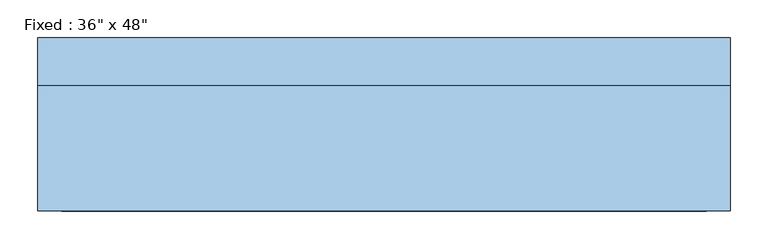
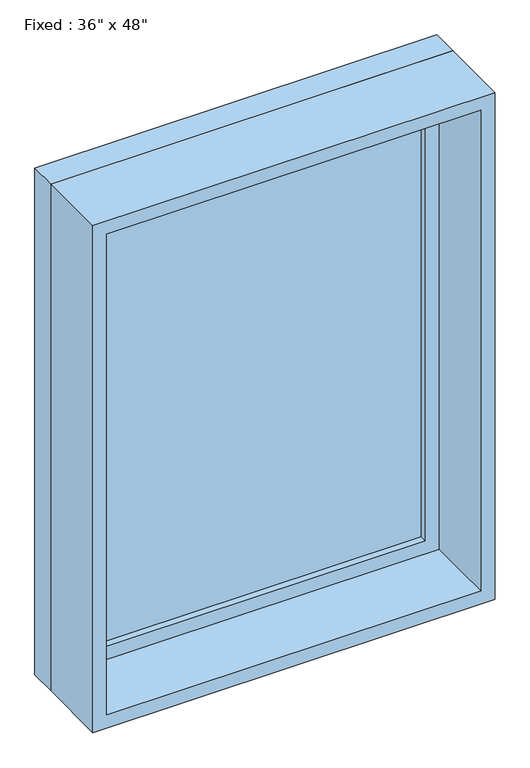
"""IFC4 building model written with IfcOpenShell, lengths in millimetres: window geometry."""

from ifc_helpers import new_model, si_unit, frame, origin, place, context, project, spatial, polyline, outline, extrude, source, transform, mapped, element, save


def window_c1f32544(model_context):
    return source(origin(), model_context, "Body", "SweptSolid", [
        extrude(outline(polyline([(355.6, 66.675), (-431.8, 66.675), (-431.8, 79.375), (355.6, 79.375), (355.6, 66.675)])), frame((0.0, 0.0, 977.9), z_axis=(0.0, 0.0, 1.0), x_axis=(1.0, 0.0, 0.0)), (0.0, 0.0, 1.0), 1092.2),
        extrude(outline(polyline([(2114.55, -476.25), (933.45, -476.25), (933.45, 400.05), (2114.55, 400.05), (2114.55, -476.25)]), holes=[polyline([(2070.1, -431.8), (2070.1, 355.6), (977.9, 355.6), (977.9, -431.8), (2070.1, -431.8)])]), frame((0.0, 50.8, 0.0), z_axis=(0.0, 1.0, 0.0), x_axis=(0.0, 0.0, 1.0)), (0.0, 0.0, 1.0), 44.45),
        extrude(outline(polyline([(2133.6, -495.3), (914.4, -495.3), (914.4, 419.1), (2133.6, 419.1), (2133.6, -495.3)]), holes=[polyline([(2101.85, -463.55), (2101.85, 387.35), (946.15, 387.35), (946.15, -463.55), (2101.85, -463.55)])]), frame((0.0, -114.3, 0.0), z_axis=(0.0, 1.0, 0.0), x_axis=(0.0, 0.0, 1.0)), (0.0, 0.0, 1.0), 165.1),
        extrude(outline(polyline([(2133.6, 419.1), (2133.6, -495.3), (914.4, -495.3), (914.4, 419.1), (2133.6, 419.1)]), holes=[polyline([(2114.55, 400.05), (933.45, 400.05), (933.45, -476.25), (2114.55, -476.25), (2114.55, 400.05)])]), frame((0.0, 50.8, 0.0), z_axis=(0.0, 1.0, 0.0), x_axis=(0.0, 0.0, 1.0)), (0.0, 0.0, 1.0), 63.5),
    ])


if __name__ == "__main__":
    model = new_model("IFC4")
    model_context = context("Model", 3, world=origin())
    ifc_project = project(units=[si_unit("LENGTHUNIT", "METRE", prefix="MILLI")], contexts=[model_context])
    site = spatial("IfcSite", under=ifc_project)
    building = spatial("IfcBuilding", under=site)
    placement = place(None, origin())
    window_shape = window_c1f32544(model_context)
    element("IfcWindow", 1, ObjectType="Fixed : 36\" x 48\"", at=placement, inside=building, context=model_context, shape_type="MappedRepresentation", body=[
        mapped(window_shape, transform((0.0, 0.0, 0.0), x_axis=(1.0, 0.0, 0.0), y_axis=(0.0, 1.0, 0.0), z_axis=(0.0, 0.0, 1.0))),
    ])
    save(model, "model.ifc")
